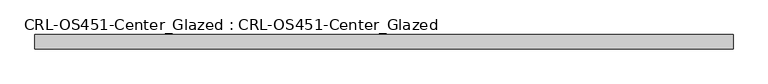
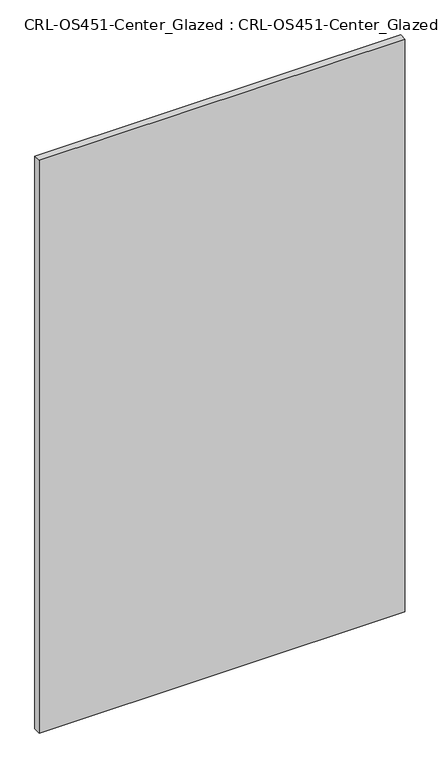
"""IFC4 building model written with IfcOpenShell, lengths in millimetres: plate geometry, CRL-OS451-Center_Glazed : CRL-OS451-Center_Glazed."""

from ifc_helpers import new_model, si_unit, origin, origin_with_axes, place, context, project, spatial, polyline, outline, extrude, source, transform, mapped, element, save


def crl_os451_center_glazed_crl_os451_center_glazed_33b79034(model_context):
    return source(origin(), model_context, "Body", "SweptSolid", [
        extrude(outline(polyline([(-614.1578927, 12.709956), (614.1578927, 12.709956), (614.1578927, -12.709956), (-614.1578927, -12.709956), (-614.1578927, 12.709956)])), origin_with_axes(), (0.0, 0.0, 1.0), 2033.8986269),
    ])


if __name__ == "__main__":
    model = new_model("IFC4")
    model_context = context("Model", 3, world=origin())
    ifc_project = project(units=[si_unit("LENGTHUNIT", "METRE", prefix="MILLI")], contexts=[model_context])
    site = spatial("IfcSite", under=ifc_project)
    building = spatial("IfcBuilding", under=site)
    placement = place(None, origin())
    crl_os451_center_glazed_crl_os451_center_glazed_shape = crl_os451_center_glazed_crl_os451_center_glazed_33b79034(model_context)
    element("IfcPlate", 1, ObjectType="CRL-OS451-Center_Glazed : CRL-OS451-Center_Glazed", at=placement, inside=building, context=model_context, shape_type="MappedRepresentation", body=[
        mapped(crl_os451_center_glazed_crl_os451_center_glazed_shape, transform((0.0, 0.0, 0.0), x_axis=(1.0, 0.0, 0.0), y_axis=(0.0, 1.0, 0.0), z_axis=(0.0, 0.0, 1.0))),
    ])
    save(model, "model.ifc")
